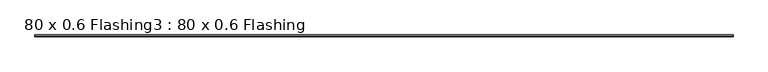
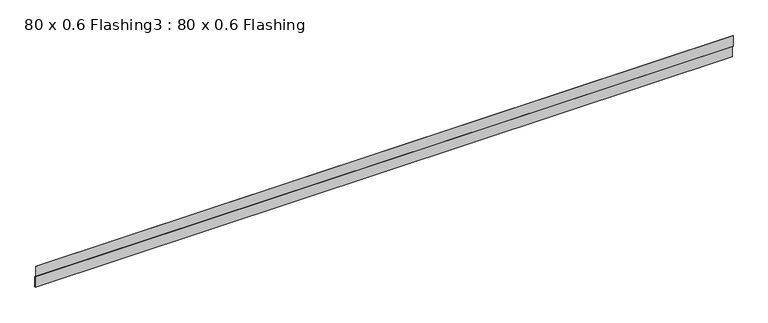
"""IFC4 building model written with IfcOpenShell, lengths in millimetres: proxy geometry, 80 x 0.6 Flashing3 : 80 x 0.6 Flashing."""

import ifcopenshell
import ifcopenshell.guid

model = None  # the IFC model being written
_history = None  # IfcOwnerHistory: only IFC2X3 demands one
_inside = {}  # id of a spatial element -> (the spatial element, [elements in it])
_under = {}  # id of a project, library or spatial element -> (it, [spatial elements below it])
_declared = {}  # id of a project -> (the project, [libraries it declares])
_typed = {}  # id of a type object -> (the type object, [elements of that type])
_made_of = {}  # id of a material, layer set ... -> (it, [elements and type objects made of it])


def new_model(schema):
    """Start an empty IFC model of exactly this schema.

    Asked for "IFC4X3", IfcOpenShell would pick the latest addendum, in which some entities
    have other attributes; the version numbers below select the first issue.
    IFC2X3 requires an IfcOwnerHistory on every rooted entity: one is made here for all.
    """
    global model, _history
    if schema == "IFC4X3":
        model = ifcopenshell.file(schema_version=(4, 3, 0, 0))
    else:
        model = ifcopenshell.file(schema=schema)
    _inside.clear()
    _under.clear()
    _declared.clear()
    _typed.clear()
    _made_of.clear()
    _history = None
    if model.schema == "IFC2X3":
        org = make("IfcOrganization", Name="unknown")
        user = make(
            "IfcPersonAndOrganization",
            ThePerson=make("IfcPerson", FamilyName="unknown"),
            TheOrganization=org,
        )
        app = make(
            "IfcApplication",
            ApplicationDeveloper=org,
            Version="unknown",
            ApplicationFullName="unknown",
            ApplicationIdentifier="unknown",
        )
        _history = make(
            "IfcOwnerHistory",
            OwningUser=user,
            OwningApplication=app,
            ChangeAction="ADDED",
            CreationDate=0,
        )
    return model


def make(cls, **values):
    """One entity of the class cls with the attributes given. An attribute that is None is left unset."""
    return model.create_entity(
        cls, **{name: value for name, value in values.items() if value is not None}
    )


def rooted(cls, **values):
    """An entity with a GlobalId (a new one), such as an element, a storey or a relation."""
    return make(cls, GlobalId=ifcopenshell.guid.new(), OwnerHistory=_history, **values)


def si_unit(unit_type, name, prefix=None):
    """IfcSIUnit, for example si_unit("LENGTHUNIT", "METRE", prefix="MILLI")."""
    return make("IfcSIUnit", UnitType=unit_type, Prefix=prefix, Name=name)


def assignment(units):
    """IfcUnitAssignment: the units of a project."""
    return None if units is None else make("IfcUnitAssignment", Units=units)


def point(xyz):
    """IfcCartesianPoint."""
    return None if xyz is None else make("IfcCartesianPoint", Coordinates=xyz)


def direction(xyz):
    """IfcDirection."""
    return None if xyz is None else make("IfcDirection", DirectionRatios=xyz)


def frame(location, z_axis=None, x_axis=None):
    """IfcAxis2Placement3D, a coordinate frame: its origin and axes. An axis left out is left unset."""
    return make(
        "IfcAxis2Placement3D",
        Location=point(location),
        Axis=direction(z_axis),
        RefDirection=direction(x_axis),
    )


def origin():
    """The frame at (0, 0, 0) with its axes left unset."""
    return frame((0.0, 0.0, 0.0))


def place(relative_to, where):
    """IfcLocalPlacement: puts the frame where relative to a parent placement (None: the world)."""
    return make(
        "IfcLocalPlacement", PlacementRelTo=relative_to, RelativePlacement=where
    )


def context(
    kind, dimensions, precision=None, world=None, true_north=None, identifier=None
):
    """IfcGeometricRepresentationContext, for example the 3D "Model" context."""
    return make(
        "IfcGeometricRepresentationContext",
        ContextIdentifier=identifier,
        ContextType=kind,
        CoordinateSpaceDimension=dimensions,
        Precision=precision,
        WorldCoordinateSystem=world,
        TrueNorth=true_north,
    )


def project(units=None, contexts=None):
    """IfcProject with its units and contexts."""
    return rooted(
        "IfcProject",
        Name="project",
        RepresentationContexts=contexts,
        UnitsInContext=assignment(units),
    )


def spatial(cls, under=None, at=None, **own):
    """A site, building, storey or space (cls), placed at a placement, below another one or the project."""
    s = rooted(cls, ObjectPlacement=at, **own)
    if under is not None:
        _under.setdefault(under.id(), (under, []))[1].append(s)
    return s


def polyline(points):
    """IfcPolyline through the points."""
    return make("IfcPolyline", Points=[point(p) for p in points])


def outline(outer, holes=None, kind="AREA"):
    """IfcArbitraryClosedProfileDef: a profile drawn as a closed curve; with holes, ...WithVoids."""
    if holes is None:
        return make("IfcArbitraryClosedProfileDef", ProfileType=kind, OuterCurve=outer)
    return make(
        "IfcArbitraryProfileDefWithVoids",
        ProfileType=kind,
        OuterCurve=outer,
        InnerCurves=holes,
    )


def extrude(swept, where, along, depth):
    """IfcExtrudedAreaSolid: the profile swept, set in the frame where, extruded along a direction by depth."""
    return make(
        "IfcExtrudedAreaSolid",
        SweptArea=swept,
        Position=where,
        ExtrudedDirection=direction(along),
        Depth=depth,
    )


def shape(context_of_items, identifier, shape_type, items):
    """IfcShapeRepresentation: the items that make up one representation, for example the "Body"."""
    return make(
        "IfcShapeRepresentation",
        ContextOfItems=context_of_items,
        RepresentationIdentifier=identifier,
        RepresentationType=shape_type,
        Items=items,
    )


def source(mapping_origin, context_of_items, identifier, shape_type, items):
    """IfcRepresentationMap: a shape defined once, which mapped items show again and again."""
    return make(
        "IfcRepresentationMap",
        MappingOrigin=mapping_origin,
        MappedRepresentation=shape(context_of_items, identifier, shape_type, items),
    )


def transform(
    local_origin,
    x_axis=None,
    y_axis=None,
    z_axis=None,
    scale=None,
    scale2=None,
    scale3=None,
    uniform=True,
):
    """IfcCartesianTransformationOperator3D, or its non-uniform kind. x_axis, y_axis, z_axis: its Axis1, 2, 3."""
    if uniform:
        return make(
            "IfcCartesianTransformationOperator3D",
            Axis1=direction(x_axis),
            Axis2=direction(y_axis),
            LocalOrigin=point(local_origin),
            Scale=scale,
            Axis3=direction(z_axis),
        )
    return make(
        "IfcCartesianTransformationOperator3DnonUniform",
        Axis1=direction(x_axis),
        Axis2=direction(y_axis),
        LocalOrigin=point(local_origin),
        Scale=scale,
        Axis3=direction(z_axis),
        Scale2=scale2,
        Scale3=scale3,
    )


def mapped(mapping_source, mapping_target):
    """IfcMappedItem: shows the shape of a source again, moved by a transform."""
    return make(
        "IfcMappedItem", MappingSource=mapping_source, MappingTarget=mapping_target
    )


def made_of(thing, what):
    """Note that an element or type object is made of a material, layer set ...; save() writes the relation."""
    if what is not None:
        _made_of.setdefault(what.id(), (what, []))[1].append(thing)
    return thing


def element(
    cls,
    number,
    at=None,
    inside=None,
    cuts=None,
    type_object=None,
    material=None,
    context=None,
    identifier="Body",
    shape_type=None,
    held_by="IfcProductDefinitionShape",
    body=None,
    shapes=None,
    **own,
):
    """One element of the class cls, such as IfcWall. Its Tag is "e" and its number.

    at: its placement. inside: the storey or other place that contains it. cuts: it is an
    opening in that element (IfcRelVoidsElement). A single representation is given by context,
    identifier, shape_type and body (its items); several are given by shapes. held_by: the class
    of the entity that holds the representations. save() writes the other relations.
    """
    e = rooted(cls, Tag="e%d" % number, ObjectPlacement=at, **own)
    if body is not None:
        shapes = [shape(context, identifier, shape_type, body)]
    if shapes is not None:
        e.Representation = make(held_by, Representations=shapes)
    if inside is not None:
        _inside.setdefault(inside.id(), (inside, []))[1].append(e)
    if cuts is not None:
        rooted(
            "IfcRelVoidsElement", RelatingBuildingElement=cuts, RelatedOpeningElement=e
        )
    if type_object is not None:
        _typed.setdefault(type_object.id(), (type_object, []))[1].append(e)
    return made_of(e, material)


def aggregate(whole, parts):
    """IfcRelAggregates: a whole, such as a stair, and the parts it consists of."""
    return rooted("IfcRelAggregates", RelatingObject=whole, RelatedObjects=parts)


def save(model, path):
    """Write the relations noted so far, then the file.

    IfcRelAggregates (storeys below a building ...), IfcRelContainedInSpatialStructure (elements
    in a storey), IfcRelDefinesByType, IfcRelAssociatesMaterial and IfcRelDeclares: one each for
    every whole, place, type object, material and project.
    """
    for whole, parts in _under.values():
        aggregate(whole, parts)
    for where, things in _inside.values():
        rooted(
            "IfcRelContainedInSpatialStructure",
            RelatedElements=things,
            RelatingStructure=where,
        )
    for kind, things in _typed.values():
        rooted("IfcRelDefinesByType", RelatedObjects=things, RelatingType=kind)
    for what, things in _made_of.values():
        rooted("IfcRelAssociatesMaterial", RelatedObjects=things, RelatingMaterial=what)
    for by, libraries in _declared.values():
        rooted("IfcRelDeclares", RelatingContext=by, RelatedDefinitions=libraries)
    model.write(path)


def proxy_80_x_0_6_flashing3_80_x_0_6_flashing_86933acd(model_context):
    return source(origin(), model_context, "Body", "SweptSolid", [
        extrude(outline(polyline([(-25692.7541708, 51.479818), (-25692.7541708, 88.479818), (-25691.7541708, 88.479818), (-25691.7541708, 51.9303222), (-25686.5541708, 47.3303222), (-25686.5541708, 9.567318), (-25687.5541708, 9.567318), (-25687.5541708, 46.879818), (-25692.7541708, 51.479818)])), frame((-2635.3690716, 0.0, 0.0), z_axis=(1.0, 0.0, 0.0), x_axis=(0.0, 1.0, 0.0)), (0.0, 0.0, 1.0), 2400.0),
    ])


if __name__ == "__main__":
    model = new_model("IFC4")
    model_context = context("Model", 3, world=origin())
    ifc_project = project(units=[si_unit("LENGTHUNIT", "METRE", prefix="MILLI")], contexts=[model_context])
    site = spatial("IfcSite", under=ifc_project)
    building = spatial("IfcBuilding", under=site)
    placement = place(None, origin())
    proxy_80_x_0_6_flashing3_80_x_0_6_flashing_shape = proxy_80_x_0_6_flashing3_80_x_0_6_flashing_86933acd(model_context)
    element("IfcBuildingElementProxy", 1, Name="80 x 0.6 Flashing3 : 80 x 0.6 Flashing", ObjectType="80 x 0.6 Flashing3 : 80 x 0.6 Flashing", at=placement, inside=building, context=model_context, shape_type="MappedRepresentation", body=[
        mapped(proxy_80_x_0_6_flashing3_80_x_0_6_flashing_shape, transform((0.0, 0.0, 0.0), x_axis=(1.0, 0.0, 0.0), y_axis=(0.0, 1.0, 0.0), z_axis=(0.0, 0.0, 1.0))),
    ])
    save(model, "model.ifc")
